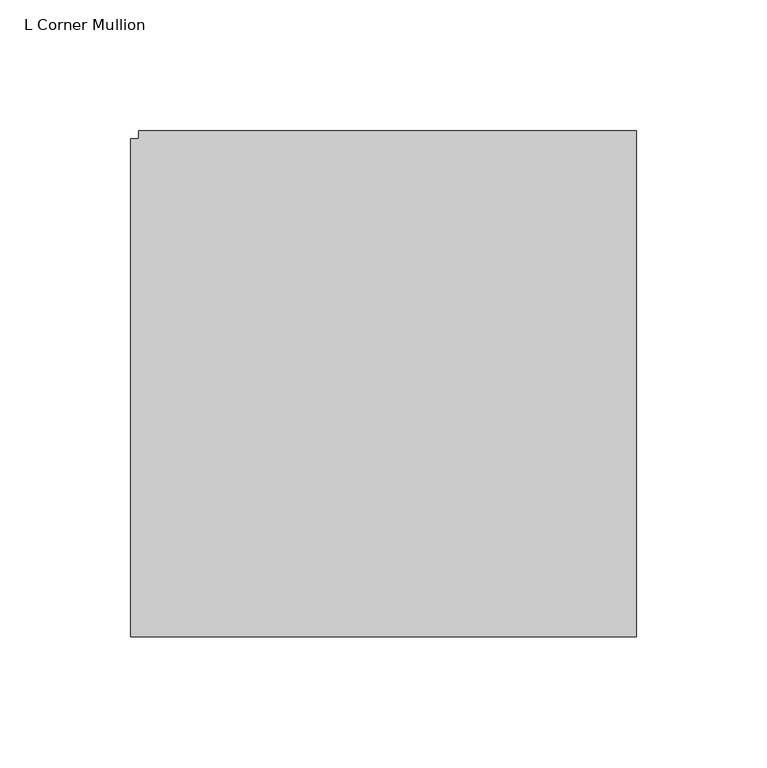
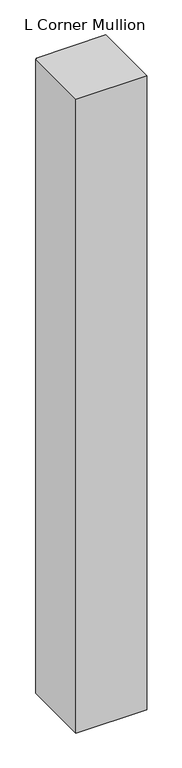
"""IFC4 building model written with IfcOpenShell, lengths in millimetres: member geometry, L Corner Mullion."""

from ifc_helpers import new_model, si_unit, frame, origin, place, context, project, spatial, polyline, outline, extrude, source, transform, mapped, element, save


def l_corner_mullion_01d6c5a3(model_context):
    return source(origin(), model_context, "Body", "SweptSolid", [
        extrude(outline(polyline([(152.4, 41.275), (152.4, -152.4), (-41.275, -152.4), (-41.275, 38.1), (-38.1, 38.1), (-38.1, 41.275), (152.4, 41.275)])), frame((0.0, 0.0, -1828.8), z_axis=(0.0, 0.0, 1.0), x_axis=(1.0, 0.0, 0.0)), (0.0, 0.0, 1.0), 1828.8),
    ])


if __name__ == "__main__":
    model = new_model("IFC4")
    model_context = context("Model", 3, world=origin())
    ifc_project = project(units=[si_unit("LENGTHUNIT", "METRE", prefix="MILLI")], contexts=[model_context])
    site = spatial("IfcSite", under=ifc_project)
    building = spatial("IfcBuilding", under=site)
    placement = place(None, origin())
    l_corner_mullion_shape = l_corner_mullion_01d6c5a3(model_context)
    element("IfcMember", 1, ObjectType="L Corner Mullion", at=placement, inside=building, context=model_context, shape_type="MappedRepresentation", body=[
        mapped(l_corner_mullion_shape, transform((0.0, 0.0, 0.0), x_axis=(1.0, 0.0, 0.0), y_axis=(0.0, 1.0, 0.0), z_axis=(0.0, 0.0, 1.0))),
    ])
    save(model, "model.ifc")
